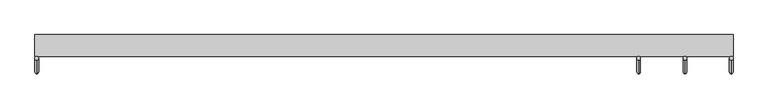
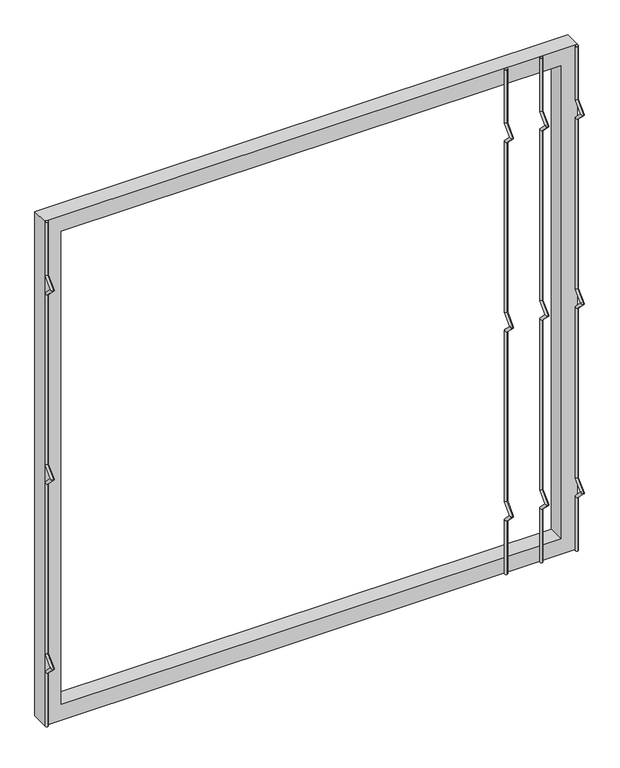
"""IFC4 building model written with IfcOpenShell, lengths in millimetres: railing geometry."""

from ifc_helpers import new_model, si_unit, frame, origin, place, context, project, spatial, polyline, circle_curve, ellipse_curve, outline, extrude, source, transform, mapped, element, save
from ifc_brep_helpers import plane_surface, cylinder_surface, advanced_brep


def railing_88bdbfb5(model_context):
    return source(origin(), model_context, "Body", "SolidModel", [
        advanced_brep(
        [(-17029.4690291, 14808.5554142, 25.4), (-17029.4690291, 14802.2054142, 25.4), (-17029.4690291, 14802.2054142, 154.0342316), (-17029.4690291, 14808.5554142, 156.6644878), (-17029.4690291, 14778.4396458, 177.8), (-17029.4690291, 14787.419902, 177.8), (-17029.4690291, 14802.2054142, 201.5657684), (-17029.4690291, 14808.5554142, 198.9355122), (-17029.4690291, 14802.2054142, 611.2342316), (-17029.4690291, 14808.5554142, 613.8644878), (-17029.4690291, 14778.4396458, 635.0), (-17029.4690291, 14787.419902, 635.0), (-17029.4690291, 14802.2054142, 658.7657684), (-17029.4690291, 14808.5554142, 656.1355122), (-17029.4690291, 14802.2054142, 1068.4342316), (-17029.4690291, 14808.5554142, 1071.0644878), (-17029.4690291, 14778.4396458, 1092.2), (-17029.4690291, 14787.419902, 1092.2), (-17029.4690291, 14802.2054142, 1115.9657684), (-17029.4690291, 14808.5554142, 1113.3355122), (-17029.4690291, 14808.5554142, 1244.6), (-17029.4690291, 14802.2054142, 1244.6)],
        [
            (0, 1, circle_curve(frame((-17029.4690291, 14805.3804142, 25.4), z_axis=(0.0, 0.0, -1.0), x_axis=(0.0, -1.0, 0.0)), 3.175)),
            (1, 0, circle_curve(frame((-17029.4690291, 14805.3804142, 25.4), z_axis=(0.0, 0.0, -1.0), x_axis=(0.0, -1.0, 0.0)), 3.175)),
            (1, 2),
            (2, 3, ellipse_curve(frame((-17029.4690291, 14805.3804142, 155.3493597), z_axis=(0.0, 0.3826834323650955, -0.9238795325112844), x_axis=(0.0, -0.9238795325112845, -0.38268343236509544)), 3.4365952, 3.175)),
            (3, 0),
            (3, 2, ellipse_curve(frame((-17029.4690291, 14805.3804142, 155.3493597), z_axis=(0.0, 0.3826834323650955, -0.9238795325112844), x_axis=(0.0, -0.9238795325112845, -0.38268343236509544)), 3.4365952, 3.175)),
            (2, 4),
            (4, 5, ellipse_curve(frame((-17029.4690291, 14782.9297739, 177.8), z_axis=(0.0, 0.0, -1.0), x_axis=(0.0, 1.0, 0.0)), 4.4901281, 3.175)),
            (5, 3),
            (5, 4, ellipse_curve(frame((-17029.4690291, 14782.9297739, 177.8), z_axis=(0.0, 0.0, -1.0), x_axis=(0.0, 1.0, 0.0)), 4.4901281, 3.175)),
            (4, 6),
            (6, 7, ellipse_curve(frame((-17029.4690291, 14805.3804142, 200.2506403), z_axis=(0.0, -0.3826834323650839, -0.9238795325112892), x_axis=(0.0, -0.9238795325112893, 0.38268343236508373)), 3.4365952, 3.175)),
            (7, 5),
            (7, 6, ellipse_curve(frame((-17029.4690291, 14805.3804142, 200.2506403), z_axis=(0.0, -0.3826834323650839, -0.9238795325112892), x_axis=(0.0, -0.9238795325112893, 0.38268343236508373)), 3.4365952, 3.175)),
            (6, 8),
            (8, 9, ellipse_curve(frame((-17029.4690291, 14805.3804142, 612.5493597), z_axis=(0.0, 0.3826834323651024, -0.9238795325112816), x_axis=(0.0, -0.9238795325112816, -0.382683432365102)), 3.4365952, 3.175)),
            (9, 7),
            (9, 8, ellipse_curve(frame((-17029.4690291, 14805.3804142, 612.5493597), z_axis=(0.0, 0.3826834323651024, -0.9238795325112816), x_axis=(0.0, -0.9238795325112816, -0.382683432365102)), 3.4365952, 3.175)),
            (8, 10),
            (10, 11, ellipse_curve(frame((-17029.4690291, 14782.9297739, 635.0), z_axis=(0.0, 0.0, -1.0), x_axis=(0.0, 1.0, 0.0)), 4.4901281, 3.175)),
            (11, 9),
            (11, 10, ellipse_curve(frame((-17029.4690291, 14782.9297739, 635.0), z_axis=(0.0, 0.0, -1.0), x_axis=(0.0, 1.0, 0.0)), 4.4901281, 3.175)),
            (10, 12),
            (12, 13, ellipse_curve(frame((-17029.4690291, 14805.3804142, 657.4506403), z_axis=(0.0, -0.3826834323650771, -0.923879532511292), x_axis=(0.0, -0.9238795325112918, 0.3826834323650773)), 3.4365952, 3.175)),
            (13, 11),
            (13, 12, ellipse_curve(frame((-17029.4690291, 14805.3804142, 657.4506403), z_axis=(0.0, -0.3826834323650771, -0.923879532511292), x_axis=(0.0, -0.9238795325112918, 0.3826834323650773)), 3.4365952, 3.175)),
            (12, 14),
            (14, 15, ellipse_curve(frame((-17029.4690291, 14805.3804142, 1069.7493597), z_axis=(0.0, 0.3826834323650978, -0.9238795325112834), x_axis=(0.0, -0.9238795325112834, -0.382683432365098)), 3.4365952, 3.175)),
            (15, 13),
            (15, 14, ellipse_curve(frame((-17029.4690291, 14805.3804142, 1069.7493597), z_axis=(0.0, 0.3826834323650978, -0.9238795325112834), x_axis=(0.0, -0.9238795325112834, -0.382683432365098)), 3.4365952, 3.175)),
            (14, 16),
            (16, 17, ellipse_curve(frame((-17029.4690291, 14782.9297739, 1092.2), z_axis=(0.0, 0.0, -1.0), x_axis=(0.0, 1.0, 0.0)), 4.4901281, 3.175)),
            (17, 15),
            (17, 16, ellipse_curve(frame((-17029.4690291, 14782.9297739, 1092.2), z_axis=(0.0, 0.0, -1.0), x_axis=(0.0, 1.0, 0.0)), 4.4901281, 3.175)),
            (16, 18),
            (18, 19, ellipse_curve(frame((-17029.4690291, 14805.3804142, 1114.6506403), z_axis=(0.0, -0.38268343236508223, -0.9238795325112898), x_axis=(0.0, -0.92387953251129, 0.38268343236508207)), 3.4365952, 3.175)),
            (19, 17),
            (19, 18, ellipse_curve(frame((-17029.4690291, 14805.3804142, 1114.6506403), z_axis=(0.0, -0.38268343236508223, -0.9238795325112898), x_axis=(0.0, -0.92387953251129, 0.38268343236508207)), 3.4365952, 3.175)),
            (20, 21, circle_curve(frame((-17029.4690291, 14805.3804142, 1244.6), z_axis=(0.0, 0.0, 1.0), x_axis=(0.0, -1.0, 0.0)), 3.175)),
            (21, 20, circle_curve(frame((-17029.4690291, 14805.3804142, 1244.6), z_axis=(0.0, 0.0, 1.0), x_axis=(0.0, -1.0, 0.0)), 3.175)),
            (18, 21),
            (20, 19),
        ],
        [
            plane_surface(frame((-17029.4690291, 14805.3804142, 25.4), z_axis=(0.0, 0.0, -1.0), x_axis=(-1.0, 0.0, 0.0))),
            cylinder_surface(frame((-17029.4690291, 14805.3804142, 25.4), z_axis=(0.0, 0.0, -1.0), x_axis=(0.0, -1.0, 0.0)), 3.175),
            cylinder_surface(frame((-17029.4690291, 14805.3804142, 155.3493597), z_axis=(0.0, 0.7071067811865563, -0.7071067811865388), x_axis=(0.0, -0.7071067811865388, -0.7071067811865563)), 3.175),
            cylinder_surface(frame((-17029.4690291, 14782.9297739, 177.8), z_axis=(0.0, -0.7071067811865385, -0.7071067811865568), x_axis=(0.0, -0.7071067811865568, 0.7071067811865385)), 3.175),
            cylinder_surface(frame((-17029.4690291, 14805.3804142, 200.2506403), z_axis=(0.0, 0.0, -1.0), x_axis=(0.0, -1.0, 0.0)), 3.175),
            cylinder_surface(frame((-17029.4690291, 14805.3804142, 612.5493597), z_axis=(0.0, 0.7071067811865669, -0.707106781186528), x_axis=(0.0, -0.707106781186528, -0.7071067811865669)), 3.175),
            cylinder_surface(frame((-17029.4690291, 14782.9297739, 635.0), z_axis=(0.0, -0.7071067811865279, -0.7071067811865672), x_axis=(0.0, -0.7071067811865672, 0.7071067811865279)), 3.175),
            cylinder_surface(frame((-17029.4690291, 14805.3804142, 657.4506403), z_axis=(0.0, 0.0, -1.0), x_axis=(0.0, -1.0, 0.0)), 3.175),
            cylinder_surface(frame((-17029.4690291, 14805.3804142, 1069.7493597), z_axis=(0.0, 0.7071067811865601, -0.707106781186535), x_axis=(0.0, -0.707106781186535, -0.7071067811865601)), 3.175),
            cylinder_surface(frame((-17029.4690291, 14782.9297739, 1092.2), z_axis=(0.0, -0.7071067811865356, -0.7071067811865596), x_axis=(0.0, -0.7071067811865596, 0.7071067811865356)), 3.175),
            plane_surface(frame((-17029.4690291, 14805.3804142, 1244.6), z_axis=(0.0, 0.0, 1.0), x_axis=(-1.0, 0.0, 0.0))),
            cylinder_surface(frame((-17029.4690291, 14805.3804142, 1114.6506403), z_axis=(0.0, 0.0, -1.0), x_axis=(0.0, -1.0, 0.0)), 3.175),
        ],
        [
            (0, [[1, 2]]),
            (1, [[3, 4, 5, -2]]),
            (1, [[-5, 6, -3, -1]]),
            (2, [[7, 8, 9, -4]]),
            (2, [[-9, 10, -7, -6]]),
            (3, [[11, 12, 13, -8]]),
            (3, [[-13, 14, -11, -10]]),
            (4, [[15, 16, 17, -12]]),
            (4, [[-17, 18, -15, -14]]),
            (5, [[19, 20, 21, -16]]),
            (5, [[-21, 22, -19, -18]]),
            (6, [[23, 24, 25, -20]]),
            (6, [[-25, 26, -23, -22]]),
            (7, [[27, 28, 29, -24]]),
            (7, [[-29, 30, -27, -26]]),
            (8, [[31, 32, 33, -28]]),
            (8, [[-33, 34, -31, -30]]),
            (9, [[35, 36, 37, -32]]),
            (9, [[-37, 38, -35, -34]]),
            (10, [[39, 40]]),
            (11, [[41, -39, 42, -36]]),
            (11, [[-42, -40, -41, -38]]),
        ],
    ),
        advanced_brep(
        [(-16948.6123624, 14808.5554142, 25.4), (-16948.6123624, 14802.2054142, 25.4), (-16948.6123624, 14802.2054142, 154.0342316), (-16948.6123624, 14808.5554142, 156.6644878), (-16948.6123624, 14778.4396458, 177.8), (-16948.6123624, 14787.419902, 177.8), (-16948.6123624, 14802.2054142, 201.5657684), (-16948.6123624, 14808.5554142, 198.9355122), (-16948.6123624, 14802.2054142, 611.2342316), (-16948.6123624, 14808.5554142, 613.8644878), (-16948.6123624, 14778.4396458, 635.0), (-16948.6123624, 14787.419902, 635.0), (-16948.6123624, 14802.2054142, 658.7657684), (-16948.6123624, 14808.5554142, 656.1355122), (-16948.6123624, 14802.2054142, 1068.4342316), (-16948.6123624, 14808.5554142, 1071.0644878), (-16948.6123624, 14778.4396458, 1092.2), (-16948.6123624, 14787.419902, 1092.2), (-16948.6123624, 14802.2054142, 1115.9657684), (-16948.6123624, 14808.5554142, 1113.3355122), (-16948.6123624, 14808.5554142, 1244.6), (-16948.6123624, 14802.2054142, 1244.6)],
        [
            (0, 1, circle_curve(frame((-16948.6123624, 14805.3804142, 25.4), z_axis=(0.0, 0.0, -1.0), x_axis=(0.0, -1.0, 0.0)), 3.175)),
            (1, 0, circle_curve(frame((-16948.6123624, 14805.3804142, 25.4), z_axis=(0.0, 0.0, -1.0), x_axis=(0.0, -1.0, 0.0)), 3.175)),
            (1, 2),
            (2, 3, ellipse_curve(frame((-16948.6123624, 14805.3804142, 155.3493597), z_axis=(0.0, 0.3826834323650955, -0.9238795325112844), x_axis=(0.0, -0.9238795325112845, -0.38268343236509544)), 3.4365952, 3.175)),
            (3, 0),
            (3, 2, ellipse_curve(frame((-16948.6123624, 14805.3804142, 155.3493597), z_axis=(0.0, 0.3826834323650955, -0.9238795325112844), x_axis=(0.0, -0.9238795325112845, -0.38268343236509544)), 3.4365952, 3.175)),
            (2, 4),
            (4, 5, ellipse_curve(frame((-16948.6123624, 14782.9297739, 177.8), z_axis=(0.0, 0.0, -1.0), x_axis=(0.0, 1.0, 0.0)), 4.4901281, 3.175)),
            (5, 3),
            (5, 4, ellipse_curve(frame((-16948.6123624, 14782.9297739, 177.8), z_axis=(0.0, 0.0, -1.0), x_axis=(0.0, 1.0, 0.0)), 4.4901281, 3.175)),
            (4, 6),
            (6, 7, ellipse_curve(frame((-16948.6123624, 14805.3804142, 200.2506403), z_axis=(0.0, -0.3826834323650839, -0.9238795325112892), x_axis=(0.0, -0.9238795325112893, 0.38268343236508373)), 3.4365952, 3.175)),
            (7, 5),
            (7, 6, ellipse_curve(frame((-16948.6123624, 14805.3804142, 200.2506403), z_axis=(0.0, -0.3826834323650839, -0.9238795325112892), x_axis=(0.0, -0.9238795325112893, 0.38268343236508373)), 3.4365952, 3.175)),
            (6, 8),
            (8, 9, ellipse_curve(frame((-16948.6123624, 14805.3804142, 612.5493597), z_axis=(0.0, 0.3826834323651024, -0.9238795325112816), x_axis=(0.0, -0.9238795325112816, -0.382683432365102)), 3.4365952, 3.175)),
            (9, 7),
            (9, 8, ellipse_curve(frame((-16948.6123624, 14805.3804142, 612.5493597), z_axis=(0.0, 0.3826834323651024, -0.9238795325112816), x_axis=(0.0, -0.9238795325112816, -0.382683432365102)), 3.4365952, 3.175)),
            (8, 10),
            (10, 11, ellipse_curve(frame((-16948.6123624, 14782.9297739, 635.0), z_axis=(0.0, 0.0, -1.0), x_axis=(0.0, 1.0, 0.0)), 4.4901281, 3.175)),
            (11, 9),
            (11, 10, ellipse_curve(frame((-16948.6123624, 14782.9297739, 635.0), z_axis=(0.0, 0.0, -1.0), x_axis=(0.0, 1.0, 0.0)), 4.4901281, 3.175)),
            (10, 12),
            (12, 13, ellipse_curve(frame((-16948.6123624, 14805.3804142, 657.4506403), z_axis=(0.0, -0.3826834323650771, -0.923879532511292), x_axis=(0.0, -0.9238795325112918, 0.3826834323650773)), 3.4365952, 3.175)),
            (13, 11),
            (13, 12, ellipse_curve(frame((-16948.6123624, 14805.3804142, 657.4506403), z_axis=(0.0, -0.3826834323650771, -0.923879532511292), x_axis=(0.0, -0.9238795325112918, 0.3826834323650773)), 3.4365952, 3.175)),
            (12, 14),
            (14, 15, ellipse_curve(frame((-16948.6123624, 14805.3804142, 1069.7493597), z_axis=(0.0, 0.3826834323650978, -0.9238795325112834), x_axis=(0.0, -0.9238795325112834, -0.382683432365098)), 3.4365952, 3.175)),
            (15, 13),
            (15, 14, ellipse_curve(frame((-16948.6123624, 14805.3804142, 1069.7493597), z_axis=(0.0, 0.3826834323650978, -0.9238795325112834), x_axis=(0.0, -0.9238795325112834, -0.382683432365098)), 3.4365952, 3.175)),
            (14, 16),
            (16, 17, ellipse_curve(frame((-16948.6123624, 14782.9297739, 1092.2), z_axis=(0.0, 0.0, -1.0), x_axis=(0.0, 1.0, 0.0)), 4.4901281, 3.175)),
            (17, 15),
            (17, 16, ellipse_curve(frame((-16948.6123624, 14782.9297739, 1092.2), z_axis=(0.0, 0.0, -1.0), x_axis=(0.0, 1.0, 0.0)), 4.4901281, 3.175)),
            (16, 18),
            (18, 19, ellipse_curve(frame((-16948.6123624, 14805.3804142, 1114.6506403), z_axis=(0.0, -0.38268343236508223, -0.9238795325112898), x_axis=(0.0, -0.92387953251129, 0.38268343236508207)), 3.4365952, 3.175)),
            (19, 17),
            (19, 18, ellipse_curve(frame((-16948.6123624, 14805.3804142, 1114.6506403), z_axis=(0.0, -0.38268343236508223, -0.9238795325112898), x_axis=(0.0, -0.92387953251129, 0.38268343236508207)), 3.4365952, 3.175)),
            (20, 21, circle_curve(frame((-16948.6123624, 14805.3804142, 1244.6), z_axis=(0.0, 0.0, 1.0), x_axis=(0.0, -1.0, 0.0)), 3.175)),
            (21, 20, circle_curve(frame((-16948.6123624, 14805.3804142, 1244.6), z_axis=(0.0, 0.0, 1.0), x_axis=(0.0, -1.0, 0.0)), 3.175)),
            (18, 21),
            (20, 19),
        ],
        [
            plane_surface(frame((-16948.6123624, 14805.3804142, 25.4), z_axis=(0.0, 0.0, -1.0), x_axis=(-1.0, 0.0, 0.0))),
            cylinder_surface(frame((-16948.6123624, 14805.3804142, 25.4), z_axis=(0.0, 0.0, -1.0), x_axis=(0.0, -1.0, 0.0)), 3.175),
            cylinder_surface(frame((-16948.6123624, 14805.3804142, 155.3493597), z_axis=(0.0, 0.7071067811865563, -0.7071067811865388), x_axis=(0.0, -0.7071067811865388, -0.7071067811865563)), 3.175),
            cylinder_surface(frame((-16948.6123624, 14782.9297739, 177.8), z_axis=(0.0, -0.7071067811865385, -0.7071067811865568), x_axis=(0.0, -0.7071067811865568, 0.7071067811865385)), 3.175),
            cylinder_surface(frame((-16948.6123624, 14805.3804142, 200.2506403), z_axis=(0.0, 0.0, -1.0), x_axis=(0.0, -1.0, 0.0)), 3.175),
            cylinder_surface(frame((-16948.6123624, 14805.3804142, 612.5493597), z_axis=(0.0, 0.7071067811865669, -0.707106781186528), x_axis=(0.0, -0.707106781186528, -0.7071067811865669)), 3.175),
            cylinder_surface(frame((-16948.6123624, 14782.9297739, 635.0), z_axis=(0.0, -0.7071067811865279, -0.7071067811865672), x_axis=(0.0, -0.7071067811865672, 0.7071067811865279)), 3.175),
            cylinder_surface(frame((-16948.6123624, 14805.3804142, 657.4506403), z_axis=(0.0, 0.0, -1.0), x_axis=(0.0, -1.0, 0.0)), 3.175),
            cylinder_surface(frame((-16948.6123624, 14805.3804142, 1069.7493597), z_axis=(0.0, 0.7071067811865601, -0.707106781186535), x_axis=(0.0, -0.707106781186535, -0.7071067811865601)), 3.175),
            cylinder_surface(frame((-16948.6123624, 14782.9297739, 1092.2), z_axis=(0.0, -0.7071067811865356, -0.7071067811865596), x_axis=(0.0, -0.7071067811865596, 0.7071067811865356)), 3.175),
            plane_surface(frame((-16948.6123624, 14805.3804142, 1244.6), z_axis=(0.0, 0.0, 1.0), x_axis=(-1.0, 0.0, 0.0))),
            cylinder_surface(frame((-16948.6123624, 14805.3804142, 1114.6506403), z_axis=(0.0, 0.0, -1.0), x_axis=(0.0, -1.0, 0.0)), 3.175),
        ],
        [
            (0, [[1, 2]]),
            (1, [[3, 4, 5, -2]]),
            (1, [[-5, 6, -3, -1]]),
            (2, [[7, 8, 9, -4]]),
            (2, [[-9, 10, -7, -6]]),
            (3, [[11, 12, 13, -8]]),
            (3, [[-13, 14, -11, -10]]),
            (4, [[15, 16, 17, -12]]),
            (4, [[-17, 18, -15, -14]]),
            (5, [[19, 20, 21, -16]]),
            (5, [[-21, 22, -19, -18]]),
            (6, [[23, 24, 25, -20]]),
            (6, [[-25, 26, -23, -22]]),
            (7, [[27, 28, 29, -24]]),
            (7, [[-29, 30, -27, -26]]),
            (8, [[31, 32, 33, -28]]),
            (8, [[-33, 34, -31, -30]]),
            (9, [[35, 36, 37, -32]]),
            (9, [[-37, 38, -35, -34]]),
            (10, [[39, 40]]),
            (11, [[41, -39, 42, -36]]),
            (11, [[-42, -40, -41, -38]]),
        ],
    ),
        advanced_brep(
        [(-18080.6056958, 14808.5554142, 25.4), (-18080.6056958, 14802.2054142, 25.4), (-18080.6056958, 14802.2054142, 154.0342316), (-18080.6056958, 14808.5554142, 156.6644878), (-18080.6056958, 14778.4396458, 177.8), (-18080.6056958, 14787.419902, 177.8), (-18080.6056958, 14802.2054142, 201.5657684), (-18080.6056958, 14808.5554142, 198.9355122), (-18080.6056958, 14802.2054142, 611.2342316), (-18080.6056958, 14808.5554142, 613.8644878), (-18080.6056958, 14778.4396458, 635.0), (-18080.6056958, 14787.419902, 635.0), (-18080.6056958, 14802.2054142, 658.7657684), (-18080.6056958, 14808.5554142, 656.1355122), (-18080.6056958, 14802.2054142, 1068.4342316), (-18080.6056958, 14808.5554142, 1071.0644878), (-18080.6056958, 14778.4396458, 1092.2), (-18080.6056958, 14787.419902, 1092.2), (-18080.6056958, 14802.2054142, 1115.9657684), (-18080.6056958, 14808.5554142, 1113.3355122), (-18080.6056958, 14808.5554142, 1244.6), (-18080.6056958, 14802.2054142, 1244.6)],
        [
            (0, 1, circle_curve(frame((-18080.6056958, 14805.3804142, 25.4), z_axis=(0.0, 0.0, -1.0), x_axis=(0.0, -1.0, 0.0)), 3.175)),
            (1, 0, circle_curve(frame((-18080.6056958, 14805.3804142, 25.4), z_axis=(0.0, 0.0, -1.0), x_axis=(0.0, -1.0, 0.0)), 3.175)),
            (1, 2),
            (2, 3, ellipse_curve(frame((-18080.6056958, 14805.3804142, 155.3493597), z_axis=(0.0, 0.3826834323650955, -0.9238795325112844), x_axis=(0.0, -0.9238795325112845, -0.38268343236509544)), 3.4365952, 3.175)),
            (3, 0),
            (3, 2, ellipse_curve(frame((-18080.6056958, 14805.3804142, 155.3493597), z_axis=(0.0, 0.3826834323650955, -0.9238795325112844), x_axis=(0.0, -0.9238795325112845, -0.38268343236509544)), 3.4365952, 3.175)),
            (2, 4),
            (4, 5, ellipse_curve(frame((-18080.6056958, 14782.9297739, 177.8), z_axis=(0.0, 0.0, -1.0), x_axis=(0.0, 1.0, 0.0)), 4.4901281, 3.175)),
            (5, 3),
            (5, 4, ellipse_curve(frame((-18080.6056958, 14782.9297739, 177.8), z_axis=(0.0, 0.0, -1.0), x_axis=(0.0, 1.0, 0.0)), 4.4901281, 3.175)),
            (4, 6),
            (6, 7, ellipse_curve(frame((-18080.6056958, 14805.3804142, 200.2506403), z_axis=(0.0, -0.3826834323650839, -0.9238795325112892), x_axis=(0.0, -0.9238795325112893, 0.38268343236508373)), 3.4365952, 3.175)),
            (7, 5),
            (7, 6, ellipse_curve(frame((-18080.6056958, 14805.3804142, 200.2506403), z_axis=(0.0, -0.3826834323650839, -0.9238795325112892), x_axis=(0.0, -0.9238795325112893, 0.38268343236508373)), 3.4365952, 3.175)),
            (6, 8),
            (8, 9, ellipse_curve(frame((-18080.6056958, 14805.3804142, 612.5493597), z_axis=(0.0, 0.3826834323651024, -0.9238795325112816), x_axis=(0.0, -0.9238795325112816, -0.382683432365102)), 3.4365952, 3.175)),
            (9, 7),
            (9, 8, ellipse_curve(frame((-18080.6056958, 14805.3804142, 612.5493597), z_axis=(0.0, 0.3826834323651024, -0.9238795325112816), x_axis=(0.0, -0.9238795325112816, -0.382683432365102)), 3.4365952, 3.175)),
            (8, 10),
            (10, 11, ellipse_curve(frame((-18080.6056958, 14782.9297739, 635.0), z_axis=(0.0, 0.0, -1.0), x_axis=(0.0, 1.0, 0.0)), 4.4901281, 3.175)),
            (11, 9),
            (11, 10, ellipse_curve(frame((-18080.6056958, 14782.9297739, 635.0), z_axis=(0.0, 0.0, -1.0), x_axis=(0.0, 1.0, 0.0)), 4.4901281, 3.175)),
            (10, 12),
            (12, 13, ellipse_curve(frame((-18080.6056958, 14805.3804142, 657.4506403), z_axis=(0.0, -0.3826834323650771, -0.923879532511292), x_axis=(0.0, -0.9238795325112918, 0.3826834323650773)), 3.4365952, 3.175)),
            (13, 11),
            (13, 12, ellipse_curve(frame((-18080.6056958, 14805.3804142, 657.4506403), z_axis=(0.0, -0.3826834323650771, -0.923879532511292), x_axis=(0.0, -0.9238795325112918, 0.3826834323650773)), 3.4365952, 3.175)),
            (12, 14),
            (14, 15, ellipse_curve(frame((-18080.6056958, 14805.3804142, 1069.7493597), z_axis=(0.0, 0.3826834323650978, -0.9238795325112834), x_axis=(0.0, -0.9238795325112834, -0.382683432365098)), 3.4365952, 3.175)),
            (15, 13),
            (15, 14, ellipse_curve(frame((-18080.6056958, 14805.3804142, 1069.7493597), z_axis=(0.0, 0.3826834323650978, -0.9238795325112834), x_axis=(0.0, -0.9238795325112834, -0.382683432365098)), 3.4365952, 3.175)),
            (14, 16),
            (16, 17, ellipse_curve(frame((-18080.6056958, 14782.9297739, 1092.2), z_axis=(0.0, 0.0, -1.0), x_axis=(0.0, 1.0, 0.0)), 4.4901281, 3.175)),
            (17, 15),
            (17, 16, ellipse_curve(frame((-18080.6056958, 14782.9297739, 1092.2), z_axis=(0.0, 0.0, -1.0), x_axis=(0.0, 1.0, 0.0)), 4.4901281, 3.175)),
            (16, 18),
            (18, 19, ellipse_curve(frame((-18080.6056958, 14805.3804142, 1114.6506403), z_axis=(0.0, -0.38268343236508223, -0.9238795325112898), x_axis=(0.0, -0.92387953251129, 0.38268343236508207)), 3.4365952, 3.175)),
            (19, 17),
            (19, 18, ellipse_curve(frame((-18080.6056958, 14805.3804142, 1114.6506403), z_axis=(0.0, -0.38268343236508223, -0.9238795325112898), x_axis=(0.0, -0.92387953251129, 0.38268343236508207)), 3.4365952, 3.175)),
            (20, 21, circle_curve(frame((-18080.6056958, 14805.3804142, 1244.6), z_axis=(0.0, 0.0, 1.0), x_axis=(0.0, -1.0, 0.0)), 3.175)),
            (21, 20, circle_curve(frame((-18080.6056958, 14805.3804142, 1244.6), z_axis=(0.0, 0.0, 1.0), x_axis=(0.0, -1.0, 0.0)), 3.175)),
            (18, 21),
            (20, 19),
        ],
        [
            plane_surface(frame((-18080.6056958, 14805.3804142, 25.4), z_axis=(0.0, 0.0, -1.0), x_axis=(-1.0, 0.0, 0.0))),
            cylinder_surface(frame((-18080.6056958, 14805.3804142, 25.4), z_axis=(0.0, 0.0, -1.0), x_axis=(0.0, -1.0, 0.0)), 3.175),
            cylinder_surface(frame((-18080.6056958, 14805.3804142, 155.3493597), z_axis=(0.0, 0.7071067811865563, -0.7071067811865388), x_axis=(0.0, -0.7071067811865388, -0.7071067811865563)), 3.175),
            cylinder_surface(frame((-18080.6056958, 14782.9297739, 177.8), z_axis=(0.0, -0.7071067811865385, -0.7071067811865568), x_axis=(0.0, -0.7071067811865568, 0.7071067811865385)), 3.175),
            cylinder_surface(frame((-18080.6056958, 14805.3804142, 200.2506403), z_axis=(0.0, 0.0, -1.0), x_axis=(0.0, -1.0, 0.0)), 3.175),
            cylinder_surface(frame((-18080.6056958, 14805.3804142, 612.5493597), z_axis=(0.0, 0.7071067811865669, -0.707106781186528), x_axis=(0.0, -0.707106781186528, -0.7071067811865669)), 3.175),
            cylinder_surface(frame((-18080.6056958, 14782.9297739, 635.0), z_axis=(0.0, -0.7071067811865279, -0.7071067811865672), x_axis=(0.0, -0.7071067811865672, 0.7071067811865279)), 3.175),
            cylinder_surface(frame((-18080.6056958, 14805.3804142, 657.4506403), z_axis=(0.0, 0.0, -1.0), x_axis=(0.0, -1.0, 0.0)), 3.175),
            cylinder_surface(frame((-18080.6056958, 14805.3804142, 1069.7493597), z_axis=(0.0, 0.7071067811865601, -0.707106781186535), x_axis=(0.0, -0.707106781186535, -0.7071067811865601)), 3.175),
            cylinder_surface(frame((-18080.6056958, 14782.9297739, 1092.2), z_axis=(0.0, -0.7071067811865356, -0.7071067811865596), x_axis=(0.0, -0.7071067811865596, 0.7071067811865356)), 3.175),
            plane_surface(frame((-18080.6056958, 14805.3804142, 1244.6), z_axis=(0.0, 0.0, 1.0), x_axis=(-1.0, 0.0, 0.0))),
            cylinder_surface(frame((-18080.6056958, 14805.3804142, 1114.6506403), z_axis=(0.0, 0.0, -1.0), x_axis=(0.0, -1.0, 0.0)), 3.175),
        ],
        [
            (0, [[1, 2]]),
            (1, [[3, 4, 5, -2]]),
            (1, [[-5, 6, -3, -1]]),
            (2, [[7, 8, 9, -4]]),
            (2, [[-9, 10, -7, -6]]),
            (3, [[11, 12, 13, -8]]),
            (3, [[-13, 14, -11, -10]]),
            (4, [[15, 16, 17, -12]]),
            (4, [[-17, 18, -15, -14]]),
            (5, [[19, 20, 21, -16]]),
            (5, [[-21, 22, -19, -18]]),
            (6, [[23, 24, 25, -20]]),
            (6, [[-25, 26, -23, -22]]),
            (7, [[27, 28, 29, -24]]),
            (7, [[-29, 30, -27, -26]]),
            (8, [[31, 32, 33, -28]]),
            (8, [[-33, 34, -31, -30]]),
            (9, [[35, 36, 37, -32]]),
            (9, [[-37, 38, -35, -34]]),
            (10, [[39, 40]]),
            (11, [[41, -39, 42, -36]]),
            (11, [[-42, -40, -41, -38]]),
        ],
    ),
        advanced_brep(
        [(-16867.7556958, 14808.5554142, 25.4), (-16867.7556958, 14802.2054142, 25.4), (-16867.7556958, 14802.2054142, 154.0342316), (-16867.7556958, 14808.5554142, 156.6644878), (-16867.7556958, 14778.4396458, 177.8), (-16867.7556958, 14787.419902, 177.8), (-16867.7556958, 14802.2054142, 201.5657684), (-16867.7556958, 14808.5554142, 198.9355122), (-16867.7556958, 14802.2054142, 611.2342316), (-16867.7556958, 14808.5554142, 613.8644878), (-16867.7556958, 14778.4396458, 635.0), (-16867.7556958, 14787.419902, 635.0), (-16867.7556958, 14802.2054142, 658.7657684), (-16867.7556958, 14808.5554142, 656.1355122), (-16867.7556958, 14802.2054142, 1068.4342316), (-16867.7556958, 14808.5554142, 1071.0644878), (-16867.7556958, 14778.4396458, 1092.2), (-16867.7556958, 14787.419902, 1092.2), (-16867.7556958, 14802.2054142, 1115.9657684), (-16867.7556958, 14808.5554142, 1113.3355122), (-16867.7556958, 14808.5554142, 1244.6), (-16867.7556958, 14802.2054142, 1244.6)],
        [
            (0, 1, circle_curve(frame((-16867.7556958, 14805.3804142, 25.4), z_axis=(0.0, 0.0, -1.0), x_axis=(0.0, -1.0, 0.0)), 3.175)),
            (1, 0, circle_curve(frame((-16867.7556958, 14805.3804142, 25.4), z_axis=(0.0, 0.0, -1.0), x_axis=(0.0, -1.0, 0.0)), 3.175)),
            (1, 2),
            (2, 3, ellipse_curve(frame((-16867.7556958, 14805.3804142, 155.3493597), z_axis=(0.0, 0.3826834323650955, -0.9238795325112844), x_axis=(0.0, -0.9238795325112845, -0.38268343236509544)), 3.4365952, 3.175)),
            (3, 0),
            (3, 2, ellipse_curve(frame((-16867.7556958, 14805.3804142, 155.3493597), z_axis=(0.0, 0.3826834323650955, -0.9238795325112844), x_axis=(0.0, -0.9238795325112845, -0.38268343236509544)), 3.4365952, 3.175)),
            (2, 4),
            (4, 5, ellipse_curve(frame((-16867.7556958, 14782.9297739, 177.8), z_axis=(0.0, 0.0, -1.0), x_axis=(0.0, 1.0, 0.0)), 4.4901281, 3.175)),
            (5, 3),
            (5, 4, ellipse_curve(frame((-16867.7556958, 14782.9297739, 177.8), z_axis=(0.0, 0.0, -1.0), x_axis=(0.0, 1.0, 0.0)), 4.4901281, 3.175)),
            (4, 6),
            (6, 7, ellipse_curve(frame((-16867.7556958, 14805.3804142, 200.2506403), z_axis=(0.0, -0.3826834323650839, -0.9238795325112892), x_axis=(0.0, -0.9238795325112893, 0.38268343236508373)), 3.4365952, 3.175)),
            (7, 5),
            (7, 6, ellipse_curve(frame((-16867.7556958, 14805.3804142, 200.2506403), z_axis=(0.0, -0.3826834323650839, -0.9238795325112892), x_axis=(0.0, -0.9238795325112893, 0.38268343236508373)), 3.4365952, 3.175)),
            (6, 8),
            (8, 9, ellipse_curve(frame((-16867.7556958, 14805.3804142, 612.5493597), z_axis=(0.0, 0.3826834323651024, -0.9238795325112816), x_axis=(0.0, -0.9238795325112816, -0.382683432365102)), 3.4365952, 3.175)),
            (9, 7),
            (9, 8, ellipse_curve(frame((-16867.7556958, 14805.3804142, 612.5493597), z_axis=(0.0, 0.3826834323651024, -0.9238795325112816), x_axis=(0.0, -0.9238795325112816, -0.382683432365102)), 3.4365952, 3.175)),
            (8, 10),
            (10, 11, ellipse_curve(frame((-16867.7556958, 14782.9297739, 635.0), z_axis=(0.0, 0.0, -1.0), x_axis=(0.0, 1.0, 0.0)), 4.4901281, 3.175)),
            (11, 9),
            (11, 10, ellipse_curve(frame((-16867.7556958, 14782.9297739, 635.0), z_axis=(0.0, 0.0, -1.0), x_axis=(0.0, 1.0, 0.0)), 4.4901281, 3.175)),
            (10, 12),
            (12, 13, ellipse_curve(frame((-16867.7556958, 14805.3804142, 657.4506403), z_axis=(0.0, -0.3826834323650771, -0.923879532511292), x_axis=(0.0, -0.9238795325112918, 0.3826834323650773)), 3.4365952, 3.175)),
            (13, 11),
            (13, 12, ellipse_curve(frame((-16867.7556958, 14805.3804142, 657.4506403), z_axis=(0.0, -0.3826834323650771, -0.923879532511292), x_axis=(0.0, -0.9238795325112918, 0.3826834323650773)), 3.4365952, 3.175)),
            (12, 14),
            (14, 15, ellipse_curve(frame((-16867.7556958, 14805.3804142, 1069.7493597), z_axis=(0.0, 0.3826834323650978, -0.9238795325112834), x_axis=(0.0, -0.9238795325112834, -0.382683432365098)), 3.4365952, 3.175)),
            (15, 13),
            (15, 14, ellipse_curve(frame((-16867.7556958, 14805.3804142, 1069.7493597), z_axis=(0.0, 0.3826834323650978, -0.9238795325112834), x_axis=(0.0, -0.9238795325112834, -0.382683432365098)), 3.4365952, 3.175)),
            (14, 16),
            (16, 17, ellipse_curve(frame((-16867.7556958, 14782.9297739, 1092.2), z_axis=(0.0, 0.0, -1.0), x_axis=(0.0, 1.0, 0.0)), 4.4901281, 3.175)),
            (17, 15),
            (17, 16, ellipse_curve(frame((-16867.7556958, 14782.9297739, 1092.2), z_axis=(0.0, 0.0, -1.0), x_axis=(0.0, 1.0, 0.0)), 4.4901281, 3.175)),
            (16, 18),
            (18, 19, ellipse_curve(frame((-16867.7556958, 14805.3804142, 1114.6506403), z_axis=(0.0, -0.38268343236508223, -0.9238795325112898), x_axis=(0.0, -0.92387953251129, 0.38268343236508207)), 3.4365952, 3.175)),
            (19, 17),
            (19, 18, ellipse_curve(frame((-16867.7556958, 14805.3804142, 1114.6506403), z_axis=(0.0, -0.38268343236508223, -0.9238795325112898), x_axis=(0.0, -0.92387953251129, 0.38268343236508207)), 3.4365952, 3.175)),
            (20, 21, circle_curve(frame((-16867.7556958, 14805.3804142, 1244.6), z_axis=(0.0, 0.0, 1.0), x_axis=(0.0, -1.0, 0.0)), 3.175)),
            (21, 20, circle_curve(frame((-16867.7556958, 14805.3804142, 1244.6), z_axis=(0.0, 0.0, 1.0), x_axis=(0.0, -1.0, 0.0)), 3.175)),
            (18, 21),
            (20, 19),
        ],
        [
            plane_surface(frame((-16867.7556958, 14805.3804142, 25.4), z_axis=(0.0, 0.0, -1.0), x_axis=(-1.0, 0.0, 0.0))),
            cylinder_surface(frame((-16867.7556958, 14805.3804142, 25.4), z_axis=(0.0, 0.0, -1.0), x_axis=(0.0, -1.0, 0.0)), 3.175),
            cylinder_surface(frame((-16867.7556958, 14805.3804142, 155.3493597), z_axis=(0.0, 0.7071067811865563, -0.7071067811865388), x_axis=(0.0, -0.7071067811865388, -0.7071067811865563)), 3.175),
            cylinder_surface(frame((-16867.7556958, 14782.9297739, 177.8), z_axis=(0.0, -0.7071067811865385, -0.7071067811865568), x_axis=(0.0, -0.7071067811865568, 0.7071067811865385)), 3.175),
            cylinder_surface(frame((-16867.7556958, 14805.3804142, 200.2506403), z_axis=(0.0, 0.0, -1.0), x_axis=(0.0, -1.0, 0.0)), 3.175),
            cylinder_surface(frame((-16867.7556958, 14805.3804142, 612.5493597), z_axis=(0.0, 0.7071067811865669, -0.707106781186528), x_axis=(0.0, -0.707106781186528, -0.7071067811865669)), 3.175),
            cylinder_surface(frame((-16867.7556958, 14782.9297739, 635.0), z_axis=(0.0, -0.7071067811865279, -0.7071067811865672), x_axis=(0.0, -0.7071067811865672, 0.7071067811865279)), 3.175),
            cylinder_surface(frame((-16867.7556958, 14805.3804142, 657.4506403), z_axis=(0.0, 0.0, -1.0), x_axis=(0.0, -1.0, 0.0)), 3.175),
            cylinder_surface(frame((-16867.7556958, 14805.3804142, 1069.7493597), z_axis=(0.0, 0.7071067811865601, -0.707106781186535), x_axis=(0.0, -0.707106781186535, -0.7071067811865601)), 3.175),
            cylinder_surface(frame((-16867.7556958, 14782.9297739, 1092.2), z_axis=(0.0, -0.7071067811865356, -0.7071067811865596), x_axis=(0.0, -0.7071067811865596, 0.7071067811865356)), 3.175),
            plane_surface(frame((-16867.7556958, 14805.3804142, 1244.6), z_axis=(0.0, 0.0, 1.0), x_axis=(-1.0, 0.0, 0.0))),
            cylinder_surface(frame((-16867.7556958, 14805.3804142, 1114.6506403), z_axis=(0.0, 0.0, -1.0), x_axis=(0.0, -1.0, 0.0)), 3.175),
        ],
        [
            (0, [[1, 2]]),
            (1, [[3, 4, 5, -2]]),
            (1, [[-5, 6, -3, -1]]),
            (2, [[7, 8, 9, -4]]),
            (2, [[-9, 10, -7, -6]]),
            (3, [[11, 12, 13, -8]]),
            (3, [[-13, 14, -11, -10]]),
            (4, [[15, 16, 17, -12]]),
            (4, [[-17, 18, -15, -14]]),
            (5, [[19, 20, 21, -16]]),
            (5, [[-21, 22, -19, -18]]),
            (6, [[23, 24, 25, -20]]),
            (6, [[-25, 26, -23, -22]]),
            (7, [[27, 28, 29, -24]]),
            (7, [[-29, 30, -27, -26]]),
            (8, [[31, 32, 33, -28]]),
            (8, [[-33, 34, -31, -30]]),
            (9, [[35, 36, 37, -32]]),
            (9, [[-37, 38, -35, -34]]),
            (10, [[39, 40]]),
            (11, [[41, -39, 42, -36]]),
            (11, [[-42, -40, -41, -38]]),
        ],
    ),
        extrude(outline(polyline([(1244.6, -16864.5806958), (1244.6, -18083.7806958), (25.4, -18083.7806958), (25.4, -16864.5806958), (1244.6, -16864.5806958)]), holes=[polyline([(1206.5, -16902.6806958), (63.5, -16902.6806958), (63.5, -18045.6806958), (1206.5, -18045.6806958), (1206.5, -16902.6806958)])]), frame((0.0, 14808.5554142, 0.0), z_axis=(0.0, 1.0, 0.0), x_axis=(0.0, 0.0, 1.0)), (0.0, 0.0, 1.0), 38.1),
    ])


if __name__ == "__main__":
    model = new_model("IFC4")
    model_context = context("Model", 3, world=origin())
    ifc_project = project(units=[si_unit("LENGTHUNIT", "METRE", prefix="MILLI")], contexts=[model_context])
    site = spatial("IfcSite", under=ifc_project)
    building = spatial("IfcBuilding", under=site)
    placement = place(None, origin())
    railing_shape = railing_88bdbfb5(model_context)
    element("IfcRailing", 1, at=placement, inside=building, context=model_context, shape_type="MappedRepresentation", body=[
        mapped(railing_shape, transform((0.0, 0.0, 0.0), x_axis=(1.0, 0.0, 0.0), y_axis=(0.0, 1.0, 0.0), z_axis=(0.0, 0.0, 1.0))),
    ])
    save(model, "model.ifc")
